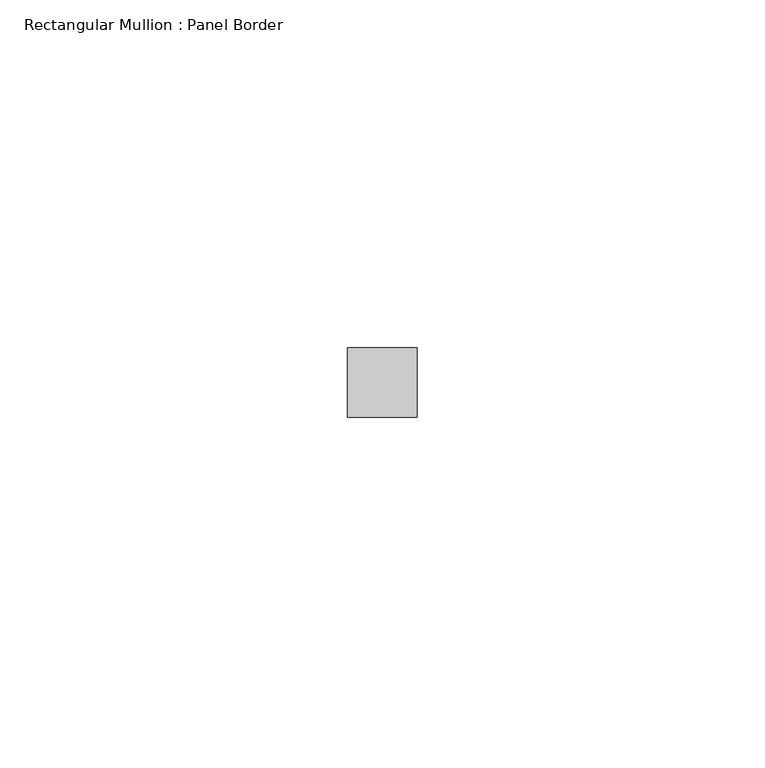
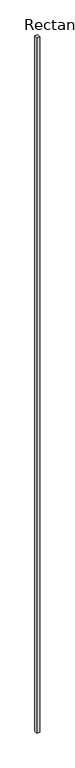
"""IFC4 building model written with IfcOpenShell, lengths in millimetres: member geometry, Rectangular Mullion : Panel Border."""

import ifcopenshell
import ifcopenshell.guid

model = None  # the IFC model being written
_history = None  # IfcOwnerHistory: only IFC2X3 demands one
_inside = {}  # id of a spatial element -> (the spatial element, [elements in it])
_under = {}  # id of a project, library or spatial element -> (it, [spatial elements below it])
_declared = {}  # id of a project -> (the project, [libraries it declares])
_typed = {}  # id of a type object -> (the type object, [elements of that type])
_made_of = {}  # id of a material, layer set ... -> (it, [elements and type objects made of it])


def new_model(schema):
    """Start an empty IFC model of exactly this schema.

    Asked for "IFC4X3", IfcOpenShell would pick the latest addendum, in which some entities
    have other attributes; the version numbers below select the first issue.
    IFC2X3 requires an IfcOwnerHistory on every rooted entity: one is made here for all.
    """
    global model, _history
    if schema == "IFC4X3":
        model = ifcopenshell.file(schema_version=(4, 3, 0, 0))
    else:
        model = ifcopenshell.file(schema=schema)
    _inside.clear()
    _under.clear()
    _declared.clear()
    _typed.clear()
    _made_of.clear()
    _history = None
    if model.schema == "IFC2X3":
        org = make("IfcOrganization", Name="unknown")
        user = make(
            "IfcPersonAndOrganization",
            ThePerson=make("IfcPerson", FamilyName="unknown"),
            TheOrganization=org,
        )
        app = make(
            "IfcApplication",
            ApplicationDeveloper=org,
            Version="unknown",
            ApplicationFullName="unknown",
            ApplicationIdentifier="unknown",
        )
        _history = make(
            "IfcOwnerHistory",
            OwningUser=user,
            OwningApplication=app,
            ChangeAction="ADDED",
            CreationDate=0,
        )
    return model


def make(cls, **values):
    """One entity of the class cls with the attributes given. An attribute that is None is left unset."""
    return model.create_entity(
        cls, **{name: value for name, value in values.items() if value is not None}
    )


def rooted(cls, **values):
    """An entity with a GlobalId (a new one), such as an element, a storey or a relation."""
    return make(cls, GlobalId=ifcopenshell.guid.new(), OwnerHistory=_history, **values)


def si_unit(unit_type, name, prefix=None):
    """IfcSIUnit, for example si_unit("LENGTHUNIT", "METRE", prefix="MILLI")."""
    return make("IfcSIUnit", UnitType=unit_type, Prefix=prefix, Name=name)


def assignment(units):
    """IfcUnitAssignment: the units of a project."""
    return None if units is None else make("IfcUnitAssignment", Units=units)


def point(xyz):
    """IfcCartesianPoint."""
    return None if xyz is None else make("IfcCartesianPoint", Coordinates=xyz)


def direction(xyz):
    """IfcDirection."""
    return None if xyz is None else make("IfcDirection", DirectionRatios=xyz)


def frame(location, z_axis=None, x_axis=None):
    """IfcAxis2Placement3D, a coordinate frame: its origin and axes. An axis left out is left unset."""
    return make(
        "IfcAxis2Placement3D",
        Location=point(location),
        Axis=direction(z_axis),
        RefDirection=direction(x_axis),
    )


def origin():
    """The frame at (0, 0, 0) with its axes left unset."""
    return frame((0.0, 0.0, 0.0))


def place(relative_to, where):
    """IfcLocalPlacement: puts the frame where relative to a parent placement (None: the world)."""
    return make(
        "IfcLocalPlacement", PlacementRelTo=relative_to, RelativePlacement=where
    )


def context(
    kind, dimensions, precision=None, world=None, true_north=None, identifier=None
):
    """IfcGeometricRepresentationContext, for example the 3D "Model" context."""
    return make(
        "IfcGeometricRepresentationContext",
        ContextIdentifier=identifier,
        ContextType=kind,
        CoordinateSpaceDimension=dimensions,
        Precision=precision,
        WorldCoordinateSystem=world,
        TrueNorth=true_north,
    )


def project(units=None, contexts=None):
    """IfcProject with its units and contexts."""
    return rooted(
        "IfcProject",
        Name="project",
        RepresentationContexts=contexts,
        UnitsInContext=assignment(units),
    )


def spatial(cls, under=None, at=None, **own):
    """A site, building, storey or space (cls), placed at a placement, below another one or the project."""
    s = rooted(cls, ObjectPlacement=at, **own)
    if under is not None:
        _under.setdefault(under.id(), (under, []))[1].append(s)
    return s


def polyline(points):
    """IfcPolyline through the points."""
    return make("IfcPolyline", Points=[point(p) for p in points])


def outline(outer, holes=None, kind="AREA"):
    """IfcArbitraryClosedProfileDef: a profile drawn as a closed curve; with holes, ...WithVoids."""
    if holes is None:
        return make("IfcArbitraryClosedProfileDef", ProfileType=kind, OuterCurve=outer)
    return make(
        "IfcArbitraryProfileDefWithVoids",
        ProfileType=kind,
        OuterCurve=outer,
        InnerCurves=holes,
    )


def extrude(swept, where, along, depth):
    """IfcExtrudedAreaSolid: the profile swept, set in the frame where, extruded along a direction by depth."""
    return make(
        "IfcExtrudedAreaSolid",
        SweptArea=swept,
        Position=where,
        ExtrudedDirection=direction(along),
        Depth=depth,
    )


def shape(context_of_items, identifier, shape_type, items):
    """IfcShapeRepresentation: the items that make up one representation, for example the "Body"."""
    return make(
        "IfcShapeRepresentation",
        ContextOfItems=context_of_items,
        RepresentationIdentifier=identifier,
        RepresentationType=shape_type,
        Items=items,
    )


def source(mapping_origin, context_of_items, identifier, shape_type, items):
    """IfcRepresentationMap: a shape defined once, which mapped items show again and again."""
    return make(
        "IfcRepresentationMap",
        MappingOrigin=mapping_origin,
        MappedRepresentation=shape(context_of_items, identifier, shape_type, items),
    )


def transform(
    local_origin,
    x_axis=None,
    y_axis=None,
    z_axis=None,
    scale=None,
    scale2=None,
    scale3=None,
    uniform=True,
):
    """IfcCartesianTransformationOperator3D, or its non-uniform kind. x_axis, y_axis, z_axis: its Axis1, 2, 3."""
    if uniform:
        return make(
            "IfcCartesianTransformationOperator3D",
            Axis1=direction(x_axis),
            Axis2=direction(y_axis),
            LocalOrigin=point(local_origin),
            Scale=scale,
            Axis3=direction(z_axis),
        )
    return make(
        "IfcCartesianTransformationOperator3DnonUniform",
        Axis1=direction(x_axis),
        Axis2=direction(y_axis),
        LocalOrigin=point(local_origin),
        Scale=scale,
        Axis3=direction(z_axis),
        Scale2=scale2,
        Scale3=scale3,
    )


def mapped(mapping_source, mapping_target):
    """IfcMappedItem: shows the shape of a source again, moved by a transform."""
    return make(
        "IfcMappedItem", MappingSource=mapping_source, MappingTarget=mapping_target
    )


def made_of(thing, what):
    """Note that an element or type object is made of a material, layer set ...; save() writes the relation."""
    if what is not None:
        _made_of.setdefault(what.id(), (what, []))[1].append(thing)
    return thing


def element(
    cls,
    number,
    at=None,
    inside=None,
    cuts=None,
    type_object=None,
    material=None,
    context=None,
    identifier="Body",
    shape_type=None,
    held_by="IfcProductDefinitionShape",
    body=None,
    shapes=None,
    **own,
):
    """One element of the class cls, such as IfcWall. Its Tag is "e" and its number.

    at: its placement. inside: the storey or other place that contains it. cuts: it is an
    opening in that element (IfcRelVoidsElement). A single representation is given by context,
    identifier, shape_type and body (its items); several are given by shapes. held_by: the class
    of the entity that holds the representations. save() writes the other relations.
    """
    e = rooted(cls, Tag="e%d" % number, ObjectPlacement=at, **own)
    if body is not None:
        shapes = [shape(context, identifier, shape_type, body)]
    if shapes is not None:
        e.Representation = make(held_by, Representations=shapes)
    if inside is not None:
        _inside.setdefault(inside.id(), (inside, []))[1].append(e)
    if cuts is not None:
        rooted(
            "IfcRelVoidsElement", RelatingBuildingElement=cuts, RelatedOpeningElement=e
        )
    if type_object is not None:
        _typed.setdefault(type_object.id(), (type_object, []))[1].append(e)
    return made_of(e, material)


def aggregate(whole, parts):
    """IfcRelAggregates: a whole, such as a stair, and the parts it consists of."""
    return rooted("IfcRelAggregates", RelatingObject=whole, RelatedObjects=parts)


def save(model, path):
    """Write the relations noted so far, then the file.

    IfcRelAggregates (storeys below a building ...), IfcRelContainedInSpatialStructure (elements
    in a storey), IfcRelDefinesByType, IfcRelAssociatesMaterial and IfcRelDeclares: one each for
    every whole, place, type object, material and project.
    """
    for whole, parts in _under.values():
        aggregate(whole, parts)
    for where, things in _inside.values():
        rooted(
            "IfcRelContainedInSpatialStructure",
            RelatedElements=things,
            RelatingStructure=where,
        )
    for kind, things in _typed.values():
        rooted("IfcRelDefinesByType", RelatedObjects=things, RelatingType=kind)
    for what, things in _made_of.values():
        rooted("IfcRelAssociatesMaterial", RelatedObjects=things, RelatingMaterial=what)
    for by, libraries in _declared.values():
        rooted("IfcRelDeclares", RelatingContext=by, RelatedDefinitions=libraries)
    model.write(path)


def rectangular_mullion_panel_border_35c9d712(model_context):
    return source(origin(), model_context, "Body", "SweptSolid", [
        extrude(outline(polyline([(5.0, 5.5), (5.0, -4.5), (-5.0, -4.5), (-5.0, 5.5), (5.0, 5.5)])), frame((0.0, 0.0, -2405.0), z_axis=(0.0, 0.0, 1.0), x_axis=(1.0, 0.0, 0.0)), (0.0, 0.0, 1.0), 2405.0),
    ])


if __name__ == "__main__":
    model = new_model("IFC4")
    model_context = context("Model", 3, world=origin())
    ifc_project = project(units=[si_unit("LENGTHUNIT", "METRE", prefix="MILLI")], contexts=[model_context])
    site = spatial("IfcSite", under=ifc_project)
    building = spatial("IfcBuilding", under=site)
    placement = place(None, origin())
    rectangular_mullion_panel_border_shape = rectangular_mullion_panel_border_35c9d712(model_context)
    element("IfcMember", 1, ObjectType="Rectangular Mullion : Panel Border", at=placement, inside=building, context=model_context, shape_type="MappedRepresentation", body=[
        mapped(rectangular_mullion_panel_border_shape, transform((0.0, 0.0, 0.0), x_axis=(1.0, 0.0, 0.0), y_axis=(0.0, 1.0, 0.0), z_axis=(0.0, 0.0, 1.0))),
    ])
    save(model, "model.ifc")
